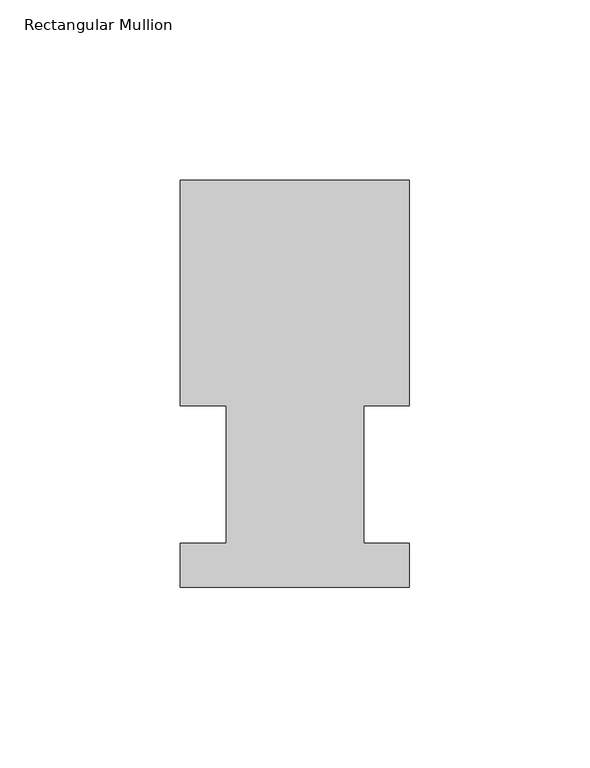
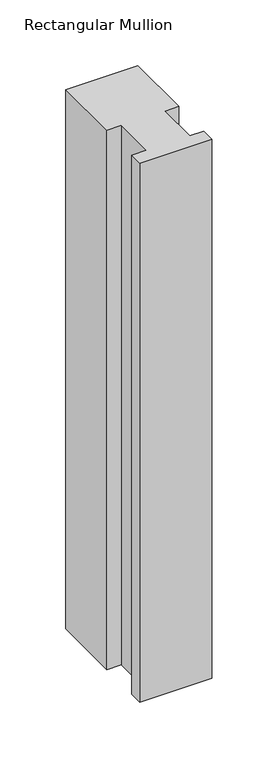
"""IFC4 building model written with IfcOpenShell, lengths in millimetres: member geometry, Rectangular Mullion."""

from ifc_helpers import new_model, si_unit, frame, origin, place, context, project, spatial, polyline, outline, extrude, source, transform, mapped, element, save


def rectangular_mullion_ca32ab34(model_context):
    return source(origin(), model_context, "Body", "SweptSolid", [
        extrude(outline(polyline([(-63.5368106, 52.5859375), (-63.5368106, 115.0699375), (0.0, 115.0699375), (0.0, 52.5859375), (-12.602764, 52.5859375), (-12.602764, 14.4858895), (0.0, 14.4858895), (0.0, 2.1909696), (-63.5, 2.1909696), (-63.5, 14.4859413), (-50.7405803, 14.4859413), (-50.7405803, 52.5859375), (-63.5368106, 52.5859375)])), frame((0.0, 0.0, -501.6500006), z_axis=(0.0, 0.0, 1.0), x_axis=(1.0, 0.0, 0.0)), (0.0, 0.0, 1.0), 501.6500006),
    ])


if __name__ == "__main__":
    model = new_model("IFC4")
    model_context = context("Model", 3, world=origin())
    ifc_project = project(units=[si_unit("LENGTHUNIT", "METRE", prefix="MILLI")], contexts=[model_context])
    site = spatial("IfcSite", under=ifc_project)
    building = spatial("IfcBuilding", under=site)
    placement = place(None, origin())
    rectangular_mullion_shape = rectangular_mullion_ca32ab34(model_context)
    element("IfcMember", 1, ObjectType="Rectangular Mullion", at=placement, inside=building, context=model_context, shape_type="MappedRepresentation", body=[
        mapped(rectangular_mullion_shape, transform((0.0, 0.0, 0.0), x_axis=(1.0, 0.0, 0.0), y_axis=(0.0, 1.0, 0.0), z_axis=(0.0, 0.0, 1.0))),
    ])
    save(model, "model.ifc")
